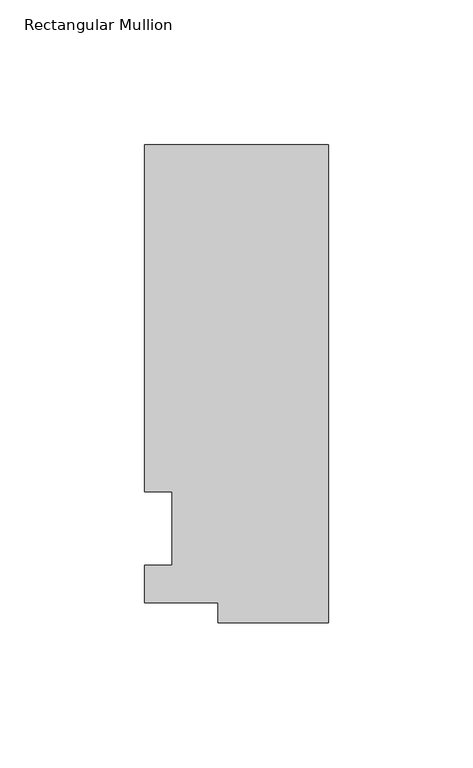
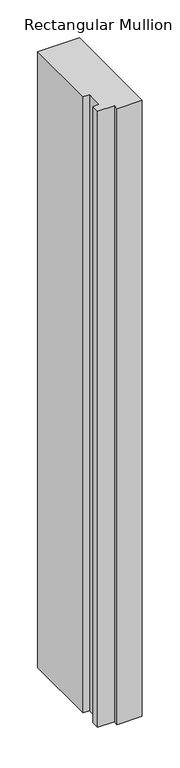
"""IFC4 building model written with IfcOpenShell, lengths in millimetres: member geometry, Rectangular Mullion."""

from ifc_helpers import new_model, si_unit, frame, origin, place, context, project, spatial, polyline, outline, extrude, source, transform, mapped, element, save


def rectangular_mullion_e632664f(model_context):
    return source(origin(), model_context, "Body", "SweptSolid", [
        extrude(outline(polyline([(-38.1, -32.54375), (-38.1, -25.58415), (-63.5, -25.58415), (-63.5, -12.7), (-53.975, -12.7), (-53.975, 12.7), (-63.5, 12.7), (-63.5, 132.55625), (0.0, 132.55625), (0.0, -32.54375), (-38.1, -32.54375)])), frame((0.0, 0.0, -990.6), z_axis=(0.0, 0.0, 1.0), x_axis=(1.0, 0.0, 0.0)), (0.0, 0.0, 1.0), 990.6),
    ])


if __name__ == "__main__":
    model = new_model("IFC4")
    model_context = context("Model", 3, world=origin())
    ifc_project = project(units=[si_unit("LENGTHUNIT", "METRE", prefix="MILLI")], contexts=[model_context])
    site = spatial("IfcSite", under=ifc_project)
    building = spatial("IfcBuilding", under=site)
    placement = place(None, origin())
    rectangular_mullion_shape = rectangular_mullion_e632664f(model_context)
    element("IfcMember", 1, ObjectType="Rectangular Mullion", at=placement, inside=building, context=model_context, shape_type="MappedRepresentation", body=[
        mapped(rectangular_mullion_shape, transform((0.0, 0.0, 0.0), x_axis=(1.0, 0.0, 0.0), y_axis=(0.0, 1.0, 0.0), z_axis=(0.0, 0.0, 1.0))),
    ])
    save(model, "model.ifc")
